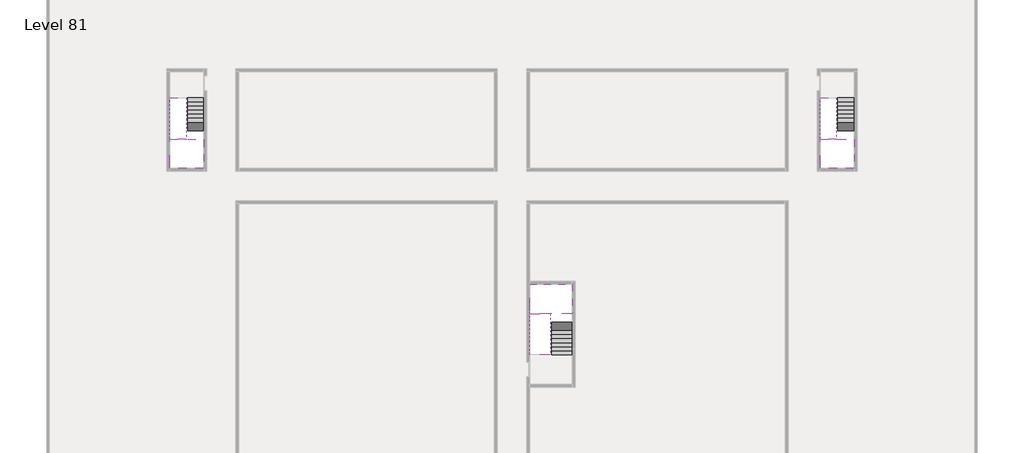
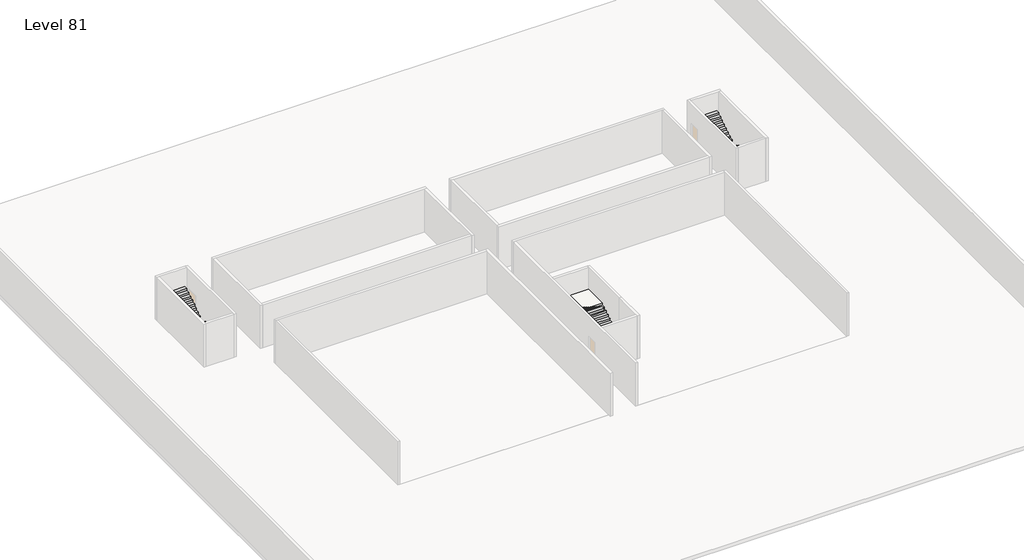
# One storey, part 2 of 2: 6 stair flights, 3 slabs.
"""IFC4 building model written with IfcOpenShell, lengths in millimetres."""

import ifcopenshell
import ifcopenshell.guid

model = None  # the IFC model being written
_history = None  # IfcOwnerHistory: only IFC2X3 demands one
_inside = {}  # id of a spatial element -> (the spatial element, [elements in it])
_under = {}  # id of a project, library or spatial element -> (it, [spatial elements below it])
_declared = {}  # id of a project -> (the project, [libraries it declares])
_typed = {}  # id of a type object -> (the type object, [elements of that type])
_made_of = {}  # id of a material, layer set ... -> (it, [elements and type objects made of it])


def new_model(schema):
    """Start an empty IFC model of exactly this schema.

    Asked for "IFC4X3", IfcOpenShell would pick the latest addendum, in which some entities
    have other attributes; the version numbers below select the first issue.
    IFC2X3 requires an IfcOwnerHistory on every rooted entity: one is made here for all.
    """
    global model, _history
    if schema == "IFC4X3":
        model = ifcopenshell.file(schema_version=(4, 3, 0, 0))
    else:
        model = ifcopenshell.file(schema=schema)
    _inside.clear()
    _under.clear()
    _declared.clear()
    _typed.clear()
    _made_of.clear()
    _history = None
    if model.schema == "IFC2X3":
        org = make("IfcOrganization", Name="unknown")
        user = make(
            "IfcPersonAndOrganization",
            ThePerson=make("IfcPerson", FamilyName="unknown"),
            TheOrganization=org,
        )
        app = make(
            "IfcApplication",
            ApplicationDeveloper=org,
            Version="unknown",
            ApplicationFullName="unknown",
            ApplicationIdentifier="unknown",
        )
        _history = make(
            "IfcOwnerHistory",
            OwningUser=user,
            OwningApplication=app,
            ChangeAction="ADDED",
            CreationDate=0,
        )
    return model


def make(cls, **values):
    """One entity of the class cls with the attributes given. An attribute that is None is left unset."""
    return model.create_entity(
        cls, **{name: value for name, value in values.items() if value is not None}
    )


def rooted(cls, **values):
    """An entity with a GlobalId (a new one), such as an element, a storey or a relation."""
    return make(cls, GlobalId=ifcopenshell.guid.new(), OwnerHistory=_history, **values)


def si_unit(unit_type, name, prefix=None):
    """IfcSIUnit, for example si_unit("LENGTHUNIT", "METRE", prefix="MILLI")."""
    return make("IfcSIUnit", UnitType=unit_type, Prefix=prefix, Name=name)


def assignment(units):
    """IfcUnitAssignment: the units of a project."""
    return None if units is None else make("IfcUnitAssignment", Units=units)


def point(xyz):
    """IfcCartesianPoint."""
    return None if xyz is None else make("IfcCartesianPoint", Coordinates=xyz)


def direction(xyz):
    """IfcDirection."""
    return None if xyz is None else make("IfcDirection", DirectionRatios=xyz)


def frame(location, z_axis=None, x_axis=None):
    """IfcAxis2Placement3D, a coordinate frame: its origin and axes. An axis left out is left unset."""
    return make(
        "IfcAxis2Placement3D",
        Location=point(location),
        Axis=direction(z_axis),
        RefDirection=direction(x_axis),
    )


def origin():
    """The frame at (0, 0, 0) with its axes left unset."""
    return frame((0.0, 0.0, 0.0))


def place(relative_to, where):
    """IfcLocalPlacement: puts the frame where relative to a parent placement (None: the world)."""
    return make(
        "IfcLocalPlacement", PlacementRelTo=relative_to, RelativePlacement=where
    )


def context(
    kind, dimensions, precision=None, world=None, true_north=None, identifier=None
):
    """IfcGeometricRepresentationContext, for example the 3D "Model" context."""
    return make(
        "IfcGeometricRepresentationContext",
        ContextIdentifier=identifier,
        ContextType=kind,
        CoordinateSpaceDimension=dimensions,
        Precision=precision,
        WorldCoordinateSystem=world,
        TrueNorth=true_north,
    )


def project(units=None, contexts=None):
    """IfcProject with its units and contexts."""
    return rooted(
        "IfcProject",
        Name="project",
        RepresentationContexts=contexts,
        UnitsInContext=assignment(units),
    )


def spatial(cls, under=None, at=None, **own):
    """A site, building, storey or space (cls), placed at a placement, below another one or the project."""
    s = rooted(cls, ObjectPlacement=at, **own)
    if under is not None:
        _under.setdefault(under.id(), (under, []))[1].append(s)
    return s


def faces_of(points, faces, orient=None, outer=None):
    """IfcFace entities. A face is a list of loops; a loop is a list of indices into points, from 0.

    orient and outer hold one flag for each loop. By default every Orientation is true, the
    first loop of a face is its IfcFaceOuterBound and the others are IfcFaceBound.
    """
    made = []
    for i, loops in enumerate(faces):
        bounds = []
        for j, loop in enumerate(loops):
            is_outer = j == 0 if outer is None else outer[i][j]
            bounds.append(
                make(
                    "IfcFaceOuterBound" if is_outer else "IfcFaceBound",
                    Bound=make("IfcPolyLoop", Polygon=[points[k] for k in loop]),
                    Orientation=True if orient is None else orient[i][j],
                )
            )
        made.append(make("IfcFace", Bounds=bounds))
    return made


def faceted_brep(points, faces, orient=None, outer=None, voids=None):
    """IfcFacetedBrep: a solid bounded by flat faces; with voids (closed shells), ...WithVoids."""
    shared = [point(p) for p in points]
    hull = make("IfcClosedShell", CfsFaces=faces_of(shared, faces, orient, outer))
    if voids is None:
        return make("IfcFacetedBrep", Outer=hull)
    return make(
        "IfcFacetedBrepWithVoids",
        Outer=hull,
        Voids=[
            make(cls, CfsFaces=faces_of(shared, fs, o, b)) for cls, fs, o, b in voids
        ],
    )


def shape(context_of_items, identifier, shape_type, items):
    """IfcShapeRepresentation: the items that make up one representation, for example the "Body"."""
    return make(
        "IfcShapeRepresentation",
        ContextOfItems=context_of_items,
        RepresentationIdentifier=identifier,
        RepresentationType=shape_type,
        Items=items,
    )


def made_of(thing, what):
    """Note that an element or type object is made of a material, layer set ...; save() writes the relation."""
    if what is not None:
        _made_of.setdefault(what.id(), (what, []))[1].append(thing)
    return thing


def element(
    cls,
    number,
    at=None,
    inside=None,
    cuts=None,
    type_object=None,
    material=None,
    context=None,
    identifier="Body",
    shape_type=None,
    held_by="IfcProductDefinitionShape",
    body=None,
    shapes=None,
    **own,
):
    """One element of the class cls, such as IfcWall. Its Tag is "e" and its number.

    at: its placement. inside: the storey or other place that contains it. cuts: it is an
    opening in that element (IfcRelVoidsElement). A single representation is given by context,
    identifier, shape_type and body (its items); several are given by shapes. held_by: the class
    of the entity that holds the representations. save() writes the other relations.
    """
    e = rooted(cls, Tag="e%d" % number, ObjectPlacement=at, **own)
    if body is not None:
        shapes = [shape(context, identifier, shape_type, body)]
    if shapes is not None:
        e.Representation = make(held_by, Representations=shapes)
    if inside is not None:
        _inside.setdefault(inside.id(), (inside, []))[1].append(e)
    if cuts is not None:
        rooted(
            "IfcRelVoidsElement", RelatingBuildingElement=cuts, RelatedOpeningElement=e
        )
    if type_object is not None:
        _typed.setdefault(type_object.id(), (type_object, []))[1].append(e)
    return made_of(e, material)


def aggregate(whole, parts):
    """IfcRelAggregates: a whole, such as a stair, and the parts it consists of."""
    return rooted("IfcRelAggregates", RelatingObject=whole, RelatedObjects=parts)


def save(model, path):
    """Write the relations noted so far, then the file.

    IfcRelAggregates (storeys below a building ...), IfcRelContainedInSpatialStructure (elements
    in a storey), IfcRelDefinesByType, IfcRelAssociatesMaterial and IfcRelDeclares: one each for
    every whole, place, type object, material and project.
    """
    for whole, parts in _under.values():
        aggregate(whole, parts)
    for where, things in _inside.values():
        rooted(
            "IfcRelContainedInSpatialStructure",
            RelatedElements=things,
            RelatingStructure=where,
        )
    for kind, things in _typed.values():
        rooted("IfcRelDefinesByType", RelatedObjects=things, RelatingType=kind)
    for what, things in _made_of.values():
        rooted("IfcRelAssociatesMaterial", RelatedObjects=things, RelatingMaterial=what)
    for by, libraries in _declared.values():
        rooted("IfcRelDeclares", RelatingContext=by, RelatedDefinitions=libraries)
    model.write(path)


model = new_model("IFC4")

# Units and contexts
model_context = context("Model", 3, world=origin())
ifc_project = project(units=[si_unit("LENGTHUNIT", "METRE", prefix="MILLI")], contexts=[model_context])

# Site, building, storey
site = spatial("IfcSite", under=ifc_project)
building = spatial("IfcBuilding", under=site)
storey = spatial("IfcBuildingStorey", under=building, Name="Level 81", Elevation=304000.0)

# Slabs
placement = place(None, origin())
element("IfcSlab", 1, at=placement, inside=storey, context=model_context, shape_type="Brep", body=[
    faceted_brep([(3190.1058784, -28518.09644, 305900.0), (2090.1058784, -28518.09644, 305900.0), (1990.1058784, -28518.09644, 305900.0), (890.1058784, -28518.09644, 305900.0), (890.1058784, -28718.7100038, 305900.0), (890.1058784, -30518.09644, 305900.0), (3190.1058784, -30518.09644, 305900.0), (3190.1058784, -28597.4828763, 305900.0), (3190.1058784, -28518.09644, 305727.2727273), (3190.1058784, -28518.09644, 305551.0278478), (2090.1058784, -28518.09644, 305551.0278478), (2090.1058784, -28518.09644, 305600.0), (1990.1058784, -28518.09644, 305600.0), (1990.1058784, -28518.09644, 305723.7551205), (890.1058784, -28518.09644, 305723.7551205), (890.1058784, -28718.7100038, 305600.0), (890.1058784, -30518.09644, 305600.0), (3190.1058784, -30518.09644, 305600.0), (3190.1058784, -28597.4828763, 305600.0), (1990.1058784, -28718.7100038, 305600.0), (2090.1058784, -28597.4828763, 305600.0)], [[[0, 1, 2, 3, 4, 5, 6, 7]], [[1, 0, 8, 9, 10, 11]], [[2, 1, 11, 12, 13]], [[3, 2, 13, 14]], [[3, 14, 15, 16, 5, 4]], [[6, 5, 16, 17]], [[9, 8, 0, 7, 6, 17, 18]], [[19, 12, 11, 20, 18, 17, 16, 15]], [[12, 19, 13]], [[18, 20, 10, 9]], [[20, 11, 10]], [[19, 15, 14, 13]]]),
])
element("IfcSlab", 2, at=placement, inside=storey, context=model_context, shape_type="Brep", body=[
    faceted_brep([(47490.1058784, -28518.09644, 305900.0), (46390.1058784, -28518.09644, 305900.0), (46290.1058784, -28518.09644, 305900.0), (45190.1058784, -28518.09644, 305900.0), (45190.1058784, -28718.7100038, 305900.0), (45190.1058784, -30518.09644, 305900.0), (47490.1058784, -30518.09644, 305900.0), (47490.1058784, -28597.4828763, 305900.0), (47490.1058784, -28518.09644, 305727.2727273), (47490.1058784, -28518.09644, 305551.0278478), (46390.1058784, -28518.09644, 305551.0278478), (46390.1058784, -28518.09644, 305600.0), (46290.1058784, -28518.09644, 305600.0), (46290.1058784, -28518.09644, 305723.7551205), (45190.1058784, -28518.09644, 305723.7551205), (45190.1058784, -28718.7100038, 305600.0), (45190.1058784, -30518.09644, 305600.0), (47490.1058784, -30518.09644, 305600.0), (47490.1058784, -28597.4828763, 305600.0), (46290.1058784, -28718.7100038, 305600.0), (46390.1058784, -28597.4828763, 305600.0)], [[[0, 1, 2, 3, 4, 5, 6, 7]], [[1, 0, 8, 9, 10, 11]], [[2, 1, 11, 12, 13]], [[3, 2, 13, 14]], [[3, 14, 15, 16, 5, 4]], [[6, 5, 16, 17]], [[9, 8, 0, 7, 6, 17, 18]], [[19, 12, 11, 20, 18, 17, 16, 15]], [[12, 19, 13]], [[18, 20, 10, 9]], [[20, 11, 10]], [[19, 15, 14, 13]]]),
])
element("IfcSlab", 3, at=placement, inside=storey, context=model_context, shape_type="Brep", body=[
    faceted_brep([(26890.1058784, -40418.09644, 305900.0), (28290.1058784, -40418.09644, 305900.0), (28290.1058784, -40338.7100038, 305900.0), (28290.1058784, -38418.09644, 305900.0), (25390.1058784, -38418.09644, 305900.0), (25390.1058784, -40217.4828763, 305900.0), (25390.1058784, -40418.09644, 305900.0), (26790.1058784, -40418.09644, 305900.0), (26890.1058784, -40418.09644, 305600.0), (26890.1058784, -40418.09644, 305551.0278478), (28290.1058784, -40418.09644, 305551.0278478), (28290.1058784, -40418.09644, 305727.2727273), (28290.1058784, -40338.7100038, 305600.0), (28290.1058784, -38418.09644, 305600.0), (25390.1058784, -38418.09644, 305600.0), (25390.1058784, -40217.4828763, 305600.0), (25390.1058784, -40418.09644, 305723.7551205), (26790.1058784, -40418.09644, 305723.7551205), (26790.1058784, -40418.09644, 305600.0), (26790.1058784, -40217.4828763, 305600.0), (26890.1058784, -40338.7100038, 305600.0)], [[[0, 1, 2, 3, 4, 5, 6, 7]], [[1, 0, 8, 9, 10, 11]], [[1, 11, 10, 12, 13, 3, 2]], [[4, 3, 13, 14]], [[4, 14, 15, 16, 6, 5]], [[7, 6, 16, 17]], [[0, 7, 17, 18, 8]], [[18, 19, 15, 14, 13, 12, 20, 8]], [[19, 18, 17]], [[20, 12, 10, 9]], [[8, 20, 9]], [[15, 19, 17, 16]]]),
])

# Stair flights
element("IfcStairFlight", 4, at=placement, inside=storey, context=model_context, shape_type="Brep", body=[
    faceted_brep([(3190.1058784, -25998.09644, 304172.7272727), (3190.1058784, -25718.09644, 304172.7272727), (2090.1058784, -25718.09644, 304172.7272727), (2090.1058784, -25998.09644, 304172.7272727), (3190.1058784, -25998.09644, 304000.0), (3190.1058784, -25718.09644, 304000.0), (2090.1058784, -25718.09644, 304000.0), (2090.1058784, -25998.09644, 304000.0), (3190.1058784, -26278.09644, 304345.4545455), (3190.1058784, -25998.09644, 304345.4545455), (2090.1058784, -25998.09644, 304345.4545455), (2090.1058784, -26278.09644, 304345.4545455), (3190.1058784, -26278.09644, 304169.209666), (3190.1058784, -26003.7986657, 304000.0), (2090.1058784, -26003.7986657, 304000.0), (2090.1058784, -26278.09644, 304169.209666), (3190.1058784, -26558.09644, 304518.1818182), (3190.1058784, -26278.09644, 304518.1818182), (2090.1058784, -26278.09644, 304518.1818182), (2090.1058784, -26558.09644, 304518.1818182), (3190.1058784, -26558.09644, 304341.9369387), (2090.1058784, -26558.09644, 304341.9369387), (3190.1058784, -26838.09644, 304690.9090909), (3190.1058784, -26558.09644, 304690.9090909), (2090.1058784, -26558.09644, 304690.9090909), (2090.1058784, -26838.09644, 304690.9090909), (3190.1058784, -26838.09644, 304514.6642114), (2090.1058784, -26838.09644, 304514.6642114), (3190.1058784, -27118.09644, 304863.6363636), (3190.1058784, -26838.09644, 304863.6363636), (2090.1058784, -26838.09644, 304863.6363636), (2090.1058784, -27118.09644, 304863.6363636), (3190.1058784, -27118.09644, 304687.3914841), (2090.1058784, -27118.09644, 304687.3914841), (3190.1058784, -27398.09644, 305036.3636364), (3190.1058784, -27118.09644, 305036.3636364), (2090.1058784, -27118.09644, 305036.3636364), (2090.1058784, -27398.09644, 305036.3636364), (3190.1058784, -27398.09644, 304860.1187569), (2090.1058784, -27398.09644, 304860.1187569), (3190.1058784, -27678.09644, 305209.0909091), (3190.1058784, -27398.09644, 305209.0909091), (2090.1058784, -27398.09644, 305209.0909091), (2090.1058784, -27678.09644, 305209.0909091), (3190.1058784, -27678.09644, 305032.8460296), (2090.1058784, -27678.09644, 305032.8460296), (3190.1058784, -27958.09644, 305381.8181818), (3190.1058784, -27678.09644, 305381.8181818), (2090.1058784, -27678.09644, 305381.8181818), (2090.1058784, -27958.09644, 305381.8181818), (3190.1058784, -27958.09644, 305205.5733023), (2090.1058784, -27958.09644, 305205.5733023), (3190.1058784, -28238.09644, 305554.5454545), (3190.1058784, -27958.09644, 305554.5454545), (2090.1058784, -27958.09644, 305554.5454545), (2090.1058784, -28238.09644, 305554.5454545), (3190.1058784, -28238.09644, 305378.3005751), (2090.1058784, -28238.09644, 305378.3005751), (3190.1058784, -28518.09644, 305727.2727273), (3190.1058784, -28238.09644, 305727.2727273), (2090.1058784, -28238.09644, 305727.2727273), (2090.1058784, -28518.09644, 305727.2727273), (3190.1058784, -28518.09644, 305551.0278478), (2090.1058784, -28518.09644, 305551.0278478), (2090.1058784, -28518.09644, 305600.0)], [[[0, 1, 2, 3]], [[1, 0, 4, 5]], [[2, 1, 5, 6]], [[3, 2, 6, 7]], [[8, 9, 10, 11]], [[4, 0, 9, 8, 12, 13]], [[0, 3, 10, 9]], [[3, 7, 14, 15, 11, 10]], [[16, 17, 18, 19]], [[17, 16, 20, 12, 8]], [[8, 11, 18, 17]], [[19, 18, 11, 15, 21]], [[22, 23, 24, 25]], [[23, 22, 26, 20, 16]], [[16, 19, 24, 23]], [[25, 24, 19, 21, 27]], [[28, 29, 30, 31]], [[29, 28, 32, 26, 22]], [[22, 25, 30, 29]], [[31, 30, 25, 27, 33]], [[34, 35, 36, 37]], [[35, 34, 38, 32, 28]], [[28, 31, 36, 35]], [[37, 36, 31, 33, 39]], [[40, 41, 42, 43]], [[41, 40, 44, 38, 34]], [[34, 37, 42, 41]], [[43, 42, 37, 39, 45]], [[46, 47, 48, 49]], [[47, 46, 50, 44, 40]], [[40, 43, 48, 47]], [[49, 48, 43, 45, 51]], [[52, 53, 54, 55]], [[53, 52, 56, 50, 46]], [[46, 49, 54, 53]], [[55, 54, 49, 51, 57]], [[58, 59, 60, 61]], [[59, 58, 62, 56, 52]], [[52, 55, 60, 59]], [[61, 60, 55, 57, 63, 64]], [[58, 61, 64, 63, 62]], [[5, 4, 13, 14, 7, 6]], [[14, 13, 12, 20, 26, 32, 38, 44, 50, 56, 62, 63, 57, 51, 45, 39, 33, 27, 21, 15]]]),
])
element("IfcStairFlight", 5, at=placement, inside=storey, context=model_context, shape_type="Brep", body=[
    faceted_brep([(890.1058784, -28238.09644, 306072.7272727), (890.1058784, -28518.09644, 306072.7272727), (1990.1058784, -28518.09644, 306072.7272727), (1990.1058784, -28238.09644, 306072.7272727), (890.1058784, -28238.09644, 305896.4823932), (890.1058784, -28518.09644, 305723.7551205), (890.1058784, -28518.09644, 305900.0), (1990.1058784, -28518.09644, 305723.7551205), (1990.1058784, -28238.09644, 305896.4823932), (890.1058784, -27958.09644, 306245.4545455), (890.1058784, -28238.09644, 306245.4545455), (1990.1058784, -28238.09644, 306245.4545455), (1990.1058784, -27958.09644, 306245.4545455), (890.1058784, -27958.09644, 306069.209666), (1990.1058784, -27958.09644, 306069.209666), (890.1058784, -27678.09644, 306418.1818182), (890.1058784, -27958.09644, 306418.1818182), (1990.1058784, -27958.09644, 306418.1818182), (1990.1058784, -27678.09644, 306418.1818182), (890.1058784, -27678.09644, 306241.9369387), (1990.1058784, -27678.09644, 306241.9369387), (890.1058784, -27398.09644, 306590.9090909), (890.1058784, -27678.09644, 306590.9090909), (1990.1058784, -27678.09644, 306590.9090909), (1990.1058784, -27398.09644, 306590.9090909), (890.1058784, -27398.09644, 306414.6642114), (1990.1058784, -27398.09644, 306414.6642114), (890.1058784, -27118.09644, 306763.6363636), (890.1058784, -27398.09644, 306763.6363636), (1990.1058784, -27398.09644, 306763.6363636), (1990.1058784, -27118.09644, 306763.6363636), (890.1058784, -27118.09644, 306587.3914841), (1990.1058784, -27118.09644, 306587.3914841), (890.1058784, -26838.09644, 306936.3636364), (890.1058784, -27118.09644, 306936.3636364), (1990.1058784, -27118.09644, 306936.3636364), (1990.1058784, -26838.09644, 306936.3636364), (890.1058784, -26838.09644, 306760.1187569), (1990.1058784, -26838.09644, 306760.1187569), (890.1058784, -26558.09644, 307109.0909091), (890.1058784, -26838.09644, 307109.0909091), (1990.1058784, -26838.09644, 307109.0909091), (1990.1058784, -26558.09644, 307109.0909091), (890.1058784, -26558.09644, 306932.8460296), (1990.1058784, -26558.09644, 306932.8460296), (890.1058784, -26278.09644, 307281.8181818), (890.1058784, -26558.09644, 307281.8181818), (1990.1058784, -26558.09644, 307281.8181818), (1990.1058784, -26278.09644, 307281.8181818), (890.1058784, -26278.09644, 307105.5733023), (1990.1058784, -26278.09644, 307105.5733023), (890.1058784, -25998.09644, 307454.5454545), (890.1058784, -26278.09644, 307454.5454545), (1990.1058784, -26278.09644, 307454.5454545), (1990.1058784, -25998.09644, 307454.5454545), (890.1058784, -25998.09644, 307278.3005751), (1990.1058784, -25998.09644, 307278.3005751), (890.1058784, -25718.09644, 307627.2727273), (890.1058784, -25998.09644, 307627.2727273), (1990.1058784, -25998.09644, 307627.2727273), (1990.1058784, -25718.09644, 307627.2727273), (890.1058784, -25718.09644, 307451.0278478), (1990.1058784, -25718.09644, 307451.0278478)], [[[0, 1, 2, 3]], [[1, 0, 4, 5, 6]], [[2, 1, 6, 5, 7]], [[3, 2, 7, 8]], [[9, 10, 11, 12]], [[10, 9, 13, 4, 0]], [[11, 10, 0, 3]], [[12, 11, 3, 8, 14]], [[15, 16, 17, 18]], [[16, 15, 19, 13, 9]], [[17, 16, 9, 12]], [[18, 17, 12, 14, 20]], [[21, 22, 23, 24]], [[22, 21, 25, 19, 15]], [[23, 22, 15, 18]], [[24, 23, 18, 20, 26]], [[27, 28, 29, 30]], [[28, 27, 31, 25, 21]], [[29, 28, 21, 24]], [[30, 29, 24, 26, 32]], [[33, 34, 35, 36]], [[34, 33, 37, 31, 27]], [[35, 34, 27, 30]], [[36, 35, 30, 32, 38]], [[39, 40, 41, 42]], [[40, 39, 43, 37, 33]], [[41, 40, 33, 36]], [[42, 41, 36, 38, 44]], [[45, 46, 47, 48]], [[46, 45, 49, 43, 39]], [[47, 46, 39, 42]], [[48, 47, 42, 44, 50]], [[51, 52, 53, 54]], [[52, 51, 55, 49, 45]], [[53, 52, 45, 48]], [[54, 53, 48, 50, 56]], [[57, 58, 59, 60]], [[58, 57, 61, 55, 51]], [[59, 58, 51, 54]], [[60, 59, 54, 56, 62]], [[57, 60, 62, 61]], [[5, 4, 13, 19, 25, 31, 37, 43, 49, 55, 61, 62, 56, 50, 44, 38, 32, 26, 20, 14, 8, 7]]]),
])
element("IfcStairFlight", 6, at=placement, inside=storey, context=model_context, shape_type="Brep", body=[
    faceted_brep([(47490.1058784, -25998.09644, 304172.7272727), (47490.1058784, -25718.09644, 304172.7272727), (46390.1058784, -25718.09644, 304172.7272727), (46390.1058784, -25998.09644, 304172.7272727), (47490.1058784, -25998.09644, 304000.0), (47490.1058784, -25718.09644, 304000.0), (46390.1058784, -25718.09644, 304000.0), (46390.1058784, -25998.09644, 304000.0), (47490.1058784, -26278.09644, 304345.4545455), (47490.1058784, -25998.09644, 304345.4545455), (46390.1058784, -25998.09644, 304345.4545455), (46390.1058784, -26278.09644, 304345.4545455), (47490.1058784, -26278.09644, 304169.209666), (47490.1058784, -26003.7986657, 304000.0), (46390.1058784, -26003.7986657, 304000.0), (46390.1058784, -26278.09644, 304169.209666), (47490.1058784, -26558.09644, 304518.1818182), (47490.1058784, -26278.09644, 304518.1818182), (46390.1058784, -26278.09644, 304518.1818182), (46390.1058784, -26558.09644, 304518.1818182), (47490.1058784, -26558.09644, 304341.9369387), (46390.1058784, -26558.09644, 304341.9369387), (47490.1058784, -26838.09644, 304690.9090909), (47490.1058784, -26558.09644, 304690.9090909), (46390.1058784, -26558.09644, 304690.9090909), (46390.1058784, -26838.09644, 304690.9090909), (47490.1058784, -26838.09644, 304514.6642114), (46390.1058784, -26838.09644, 304514.6642114), (47490.1058784, -27118.09644, 304863.6363636), (47490.1058784, -26838.09644, 304863.6363636), (46390.1058784, -26838.09644, 304863.6363636), (46390.1058784, -27118.09644, 304863.6363636), (47490.1058784, -27118.09644, 304687.3914841), (46390.1058784, -27118.09644, 304687.3914841), (47490.1058784, -27398.09644, 305036.3636364), (47490.1058784, -27118.09644, 305036.3636364), (46390.1058784, -27118.09644, 305036.3636364), (46390.1058784, -27398.09644, 305036.3636364), (47490.1058784, -27398.09644, 304860.1187569), (46390.1058784, -27398.09644, 304860.1187569), (47490.1058784, -27678.09644, 305209.0909091), (47490.1058784, -27398.09644, 305209.0909091), (46390.1058784, -27398.09644, 305209.0909091), (46390.1058784, -27678.09644, 305209.0909091), (47490.1058784, -27678.09644, 305032.8460296), (46390.1058784, -27678.09644, 305032.8460296), (47490.1058784, -27958.09644, 305381.8181818), (47490.1058784, -27678.09644, 305381.8181818), (46390.1058784, -27678.09644, 305381.8181818), (46390.1058784, -27958.09644, 305381.8181818), (47490.1058784, -27958.09644, 305205.5733023), (46390.1058784, -27958.09644, 305205.5733023), (47490.1058784, -28238.09644, 305554.5454545), (47490.1058784, -27958.09644, 305554.5454545), (46390.1058784, -27958.09644, 305554.5454545), (46390.1058784, -28238.09644, 305554.5454545), (47490.1058784, -28238.09644, 305378.3005751), (46390.1058784, -28238.09644, 305378.3005751), (47490.1058784, -28518.09644, 305727.2727273), (47490.1058784, -28238.09644, 305727.2727273), (46390.1058784, -28238.09644, 305727.2727273), (46390.1058784, -28518.09644, 305727.2727273), (47490.1058784, -28518.09644, 305551.0278478), (46390.1058784, -28518.09644, 305551.0278478), (46390.1058784, -28518.09644, 305600.0)], [[[0, 1, 2, 3]], [[1, 0, 4, 5]], [[2, 1, 5, 6]], [[3, 2, 6, 7]], [[8, 9, 10, 11]], [[4, 0, 9, 8, 12, 13]], [[0, 3, 10, 9]], [[3, 7, 14, 15, 11, 10]], [[16, 17, 18, 19]], [[17, 16, 20, 12, 8]], [[8, 11, 18, 17]], [[19, 18, 11, 15, 21]], [[22, 23, 24, 25]], [[23, 22, 26, 20, 16]], [[16, 19, 24, 23]], [[25, 24, 19, 21, 27]], [[28, 29, 30, 31]], [[29, 28, 32, 26, 22]], [[22, 25, 30, 29]], [[31, 30, 25, 27, 33]], [[34, 35, 36, 37]], [[35, 34, 38, 32, 28]], [[28, 31, 36, 35]], [[37, 36, 31, 33, 39]], [[40, 41, 42, 43]], [[41, 40, 44, 38, 34]], [[34, 37, 42, 41]], [[43, 42, 37, 39, 45]], [[46, 47, 48, 49]], [[47, 46, 50, 44, 40]], [[40, 43, 48, 47]], [[49, 48, 43, 45, 51]], [[52, 53, 54, 55]], [[53, 52, 56, 50, 46]], [[46, 49, 54, 53]], [[55, 54, 49, 51, 57]], [[58, 59, 60, 61]], [[59, 58, 62, 56, 52]], [[52, 55, 60, 59]], [[61, 60, 55, 57, 63, 64]], [[58, 61, 64, 63, 62]], [[5, 4, 13, 14, 7, 6]], [[14, 13, 12, 20, 26, 32, 38, 44, 50, 56, 62, 63, 57, 51, 45, 39, 33, 27, 21, 15]]]),
])
element("IfcStairFlight", 7, at=placement, inside=storey, context=model_context, shape_type="Brep", body=[
    faceted_brep([(45190.1058784, -28238.09644, 306072.7272727), (45190.1058784, -28518.09644, 306072.7272727), (46290.1058784, -28518.09644, 306072.7272727), (46290.1058784, -28238.09644, 306072.7272727), (45190.1058784, -28238.09644, 305896.4823932), (45190.1058784, -28518.09644, 305723.7551205), (45190.1058784, -28518.09644, 305900.0), (46290.1058784, -28518.09644, 305723.7551205), (46290.1058784, -28238.09644, 305896.4823932), (45190.1058784, -27958.09644, 306245.4545455), (45190.1058784, -28238.09644, 306245.4545455), (46290.1058784, -28238.09644, 306245.4545455), (46290.1058784, -27958.09644, 306245.4545455), (45190.1058784, -27958.09644, 306069.209666), (46290.1058784, -27958.09644, 306069.209666), (45190.1058784, -27678.09644, 306418.1818182), (45190.1058784, -27958.09644, 306418.1818182), (46290.1058784, -27958.09644, 306418.1818182), (46290.1058784, -27678.09644, 306418.1818182), (45190.1058784, -27678.09644, 306241.9369387), (46290.1058784, -27678.09644, 306241.9369387), (45190.1058784, -27398.09644, 306590.9090909), (45190.1058784, -27678.09644, 306590.9090909), (46290.1058784, -27678.09644, 306590.9090909), (46290.1058784, -27398.09644, 306590.9090909), (45190.1058784, -27398.09644, 306414.6642114), (46290.1058784, -27398.09644, 306414.6642114), (45190.1058784, -27118.09644, 306763.6363636), (45190.1058784, -27398.09644, 306763.6363636), (46290.1058784, -27398.09644, 306763.6363636), (46290.1058784, -27118.09644, 306763.6363636), (45190.1058784, -27118.09644, 306587.3914841), (46290.1058784, -27118.09644, 306587.3914841), (45190.1058784, -26838.09644, 306936.3636364), (45190.1058784, -27118.09644, 306936.3636364), (46290.1058784, -27118.09644, 306936.3636364), (46290.1058784, -26838.09644, 306936.3636364), (45190.1058784, -26838.09644, 306760.1187569), (46290.1058784, -26838.09644, 306760.1187569), (45190.1058784, -26558.09644, 307109.0909091), (45190.1058784, -26838.09644, 307109.0909091), (46290.1058784, -26838.09644, 307109.0909091), (46290.1058784, -26558.09644, 307109.0909091), (45190.1058784, -26558.09644, 306932.8460296), (46290.1058784, -26558.09644, 306932.8460296), (45190.1058784, -26278.09644, 307281.8181818), (45190.1058784, -26558.09644, 307281.8181818), (46290.1058784, -26558.09644, 307281.8181818), (46290.1058784, -26278.09644, 307281.8181818), (45190.1058784, -26278.09644, 307105.5733023), (46290.1058784, -26278.09644, 307105.5733023), (45190.1058784, -25998.09644, 307454.5454545), (45190.1058784, -26278.09644, 307454.5454545), (46290.1058784, -26278.09644, 307454.5454545), (46290.1058784, -25998.09644, 307454.5454545), (45190.1058784, -25998.09644, 307278.3005751), (46290.1058784, -25998.09644, 307278.3005751), (45190.1058784, -25718.09644, 307627.2727273), (45190.1058784, -25998.09644, 307627.2727273), (46290.1058784, -25998.09644, 307627.2727273), (46290.1058784, -25718.09644, 307627.2727273), (45190.1058784, -25718.09644, 307451.0278478), (46290.1058784, -25718.09644, 307451.0278478)], [[[0, 1, 2, 3]], [[1, 0, 4, 5, 6]], [[2, 1, 6, 5, 7]], [[3, 2, 7, 8]], [[9, 10, 11, 12]], [[10, 9, 13, 4, 0]], [[11, 10, 0, 3]], [[12, 11, 3, 8, 14]], [[15, 16, 17, 18]], [[16, 15, 19, 13, 9]], [[17, 16, 9, 12]], [[18, 17, 12, 14, 20]], [[21, 22, 23, 24]], [[22, 21, 25, 19, 15]], [[23, 22, 15, 18]], [[24, 23, 18, 20, 26]], [[27, 28, 29, 30]], [[28, 27, 31, 25, 21]], [[29, 28, 21, 24]], [[30, 29, 24, 26, 32]], [[33, 34, 35, 36]], [[34, 33, 37, 31, 27]], [[35, 34, 27, 30]], [[36, 35, 30, 32, 38]], [[39, 40, 41, 42]], [[40, 39, 43, 37, 33]], [[41, 40, 33, 36]], [[42, 41, 36, 38, 44]], [[45, 46, 47, 48]], [[46, 45, 49, 43, 39]], [[47, 46, 39, 42]], [[48, 47, 42, 44, 50]], [[51, 52, 53, 54]], [[52, 51, 55, 49, 45]], [[53, 52, 45, 48]], [[54, 53, 48, 50, 56]], [[57, 58, 59, 60]], [[58, 57, 61, 55, 51]], [[59, 58, 51, 54]], [[60, 59, 54, 56, 62]], [[57, 60, 62, 61]], [[5, 4, 13, 19, 25, 31, 37, 43, 49, 55, 61, 62, 56, 50, 44, 38, 32, 26, 20, 14, 8, 7]]]),
])
element("IfcStairFlight", 8, at=placement, inside=storey, context=model_context, shape_type="Brep", body=[
    faceted_brep([(26890.1058784, -42938.09644, 304172.7272727), (26890.1058784, -43218.09644, 304172.7272727), (28290.1058784, -43218.09644, 304172.7272727), (28290.1058784, -42938.09644, 304172.7272727), (26890.1058784, -42938.09644, 304000.0), (26890.1058784, -43218.09644, 304000.0), (28290.1058784, -43218.09644, 304000.0), (28290.1058784, -42938.09644, 304000.0), (26890.1058784, -42658.09644, 304345.4545455), (26890.1058784, -42938.09644, 304345.4545455), (28290.1058784, -42938.09644, 304345.4545455), (28290.1058784, -42658.09644, 304345.4545455), (26890.1058784, -42658.09644, 304169.209666), (26890.1058784, -42932.3942143, 304000.0), (28290.1058784, -42932.3942143, 304000.0), (28290.1058784, -42658.09644, 304169.209666), (26890.1058784, -42378.09644, 304518.1818182), (26890.1058784, -42658.09644, 304518.1818182), (28290.1058784, -42658.09644, 304518.1818182), (28290.1058784, -42378.09644, 304518.1818182), (26890.1058784, -42378.09644, 304341.9369387), (28290.1058784, -42378.09644, 304341.9369387), (26890.1058784, -42098.09644, 304690.9090909), (26890.1058784, -42378.09644, 304690.9090909), (28290.1058784, -42378.09644, 304690.9090909), (28290.1058784, -42098.09644, 304690.9090909), (26890.1058784, -42098.09644, 304514.6642114), (28290.1058784, -42098.09644, 304514.6642114), (26890.1058784, -41818.09644, 304863.6363636), (26890.1058784, -42098.09644, 304863.6363636), (28290.1058784, -42098.09644, 304863.6363636), (28290.1058784, -41818.09644, 304863.6363636), (26890.1058784, -41818.09644, 304687.3914841), (28290.1058784, -41818.09644, 304687.3914841), (26890.1058784, -41538.09644, 305036.3636364), (26890.1058784, -41818.09644, 305036.3636364), (28290.1058784, -41818.09644, 305036.3636364), (28290.1058784, -41538.09644, 305036.3636364), (26890.1058784, -41538.09644, 304860.1187569), (28290.1058784, -41538.09644, 304860.1187569), (26890.1058784, -41258.09644, 305209.0909091), (26890.1058784, -41538.09644, 305209.0909091), (28290.1058784, -41538.09644, 305209.0909091), (28290.1058784, -41258.09644, 305209.0909091), (26890.1058784, -41258.09644, 305032.8460296), (28290.1058784, -41258.09644, 305032.8460296), (26890.1058784, -40978.09644, 305381.8181818), (26890.1058784, -41258.09644, 305381.8181818), (28290.1058784, -41258.09644, 305381.8181818), (28290.1058784, -40978.09644, 305381.8181818), (26890.1058784, -40978.09644, 305205.5733023), (28290.1058784, -40978.09644, 305205.5733023), (26890.1058784, -40698.09644, 305554.5454545), (26890.1058784, -40978.09644, 305554.5454545), (28290.1058784, -40978.09644, 305554.5454545), (28290.1058784, -40698.09644, 305554.5454545), (26890.1058784, -40698.09644, 305378.3005751), (28290.1058784, -40698.09644, 305378.3005751), (26890.1058784, -40418.09644, 305727.2727273), (26890.1058784, -40698.09644, 305727.2727273), (28290.1058784, -40698.09644, 305727.2727273), (28290.1058784, -40418.09644, 305727.2727273), (26890.1058784, -40418.09644, 305600.0), (26890.1058784, -40418.09644, 305551.0278478), (28290.1058784, -40418.09644, 305551.0278478)], [[[0, 1, 2, 3]], [[1, 0, 4, 5]], [[2, 1, 5, 6]], [[3, 2, 6, 7]], [[8, 9, 10, 11]], [[4, 0, 9, 8, 12, 13]], [[0, 3, 10, 9]], [[3, 7, 14, 15, 11, 10]], [[16, 17, 18, 19]], [[17, 16, 20, 12, 8]], [[8, 11, 18, 17]], [[19, 18, 11, 15, 21]], [[22, 23, 24, 25]], [[23, 22, 26, 20, 16]], [[16, 19, 24, 23]], [[25, 24, 19, 21, 27]], [[28, 29, 30, 31]], [[29, 28, 32, 26, 22]], [[22, 25, 30, 29]], [[31, 30, 25, 27, 33]], [[34, 35, 36, 37]], [[35, 34, 38, 32, 28]], [[28, 31, 36, 35]], [[37, 36, 31, 33, 39]], [[40, 41, 42, 43]], [[41, 40, 44, 38, 34]], [[34, 37, 42, 41]], [[43, 42, 37, 39, 45]], [[46, 47, 48, 49]], [[47, 46, 50, 44, 40]], [[40, 43, 48, 47]], [[49, 48, 43, 45, 51]], [[52, 53, 54, 55]], [[53, 52, 56, 50, 46]], [[46, 49, 54, 53]], [[55, 54, 49, 51, 57]], [[58, 59, 60, 61]], [[59, 58, 62, 63, 56, 52]], [[52, 55, 60, 59]], [[61, 60, 55, 57, 64]], [[58, 61, 64, 63, 62]], [[5, 4, 13, 14, 7, 6]], [[14, 13, 12, 20, 26, 32, 38, 44, 50, 56, 63, 64, 57, 51, 45, 39, 33, 27, 21, 15]]]),
])
element("IfcStairFlight", 9, at=placement, inside=storey, context=model_context, shape_type="Brep", body=[
    faceted_brep([(26790.1058784, -40698.09644, 306072.7272727), (26790.1058784, -40418.09644, 306072.7272727), (25390.1058784, -40418.09644, 306072.7272727), (25390.1058784, -40698.09644, 306072.7272727), (26790.1058784, -40698.09644, 305896.4823932), (26790.1058784, -40418.09644, 305723.7551205), (25390.1058784, -40418.09644, 305723.7551205), (25390.1058784, -40418.09644, 305900.0), (25390.1058784, -40698.09644, 305896.4823932), (26790.1058784, -40978.09644, 306245.4545455), (26790.1058784, -40698.09644, 306245.4545455), (25390.1058784, -40698.09644, 306245.4545455), (25390.1058784, -40978.09644, 306245.4545455), (26790.1058784, -40978.09644, 306069.209666), (25390.1058784, -40978.09644, 306069.209666), (26790.1058784, -41258.09644, 306418.1818182), (26790.1058784, -40978.09644, 306418.1818182), (25390.1058784, -40978.09644, 306418.1818182), (25390.1058784, -41258.09644, 306418.1818182), (26790.1058784, -41258.09644, 306241.9369387), (25390.1058784, -41258.09644, 306241.9369387), (26790.1058784, -41538.09644, 306590.9090909), (26790.1058784, -41258.09644, 306590.9090909), (25390.1058784, -41258.09644, 306590.9090909), (25390.1058784, -41538.09644, 306590.9090909), (26790.1058784, -41538.09644, 306414.6642114), (25390.1058784, -41538.09644, 306414.6642114), (26790.1058784, -41818.09644, 306763.6363636), (26790.1058784, -41538.09644, 306763.6363636), (25390.1058784, -41538.09644, 306763.6363636), (25390.1058784, -41818.09644, 306763.6363636), (26790.1058784, -41818.09644, 306587.3914841), (25390.1058784, -41818.09644, 306587.3914841), (26790.1058784, -42098.09644, 306936.3636364), (26790.1058784, -41818.09644, 306936.3636364), (25390.1058784, -41818.09644, 306936.3636364), (25390.1058784, -42098.09644, 306936.3636364), (26790.1058784, -42098.09644, 306760.1187569), (25390.1058784, -42098.09644, 306760.1187569), (26790.1058784, -42378.09644, 307109.0909091), (26790.1058784, -42098.09644, 307109.0909091), (25390.1058784, -42098.09644, 307109.0909091), (25390.1058784, -42378.09644, 307109.0909091), (26790.1058784, -42378.09644, 306932.8460296), (25390.1058784, -42378.09644, 306932.8460296), (26790.1058784, -42658.09644, 307281.8181818), (26790.1058784, -42378.09644, 307281.8181818), (25390.1058784, -42378.09644, 307281.8181818), (25390.1058784, -42658.09644, 307281.8181818), (26790.1058784, -42658.09644, 307105.5733023), (25390.1058784, -42658.09644, 307105.5733023), (26790.1058784, -42938.09644, 307454.5454545), (26790.1058784, -42658.09644, 307454.5454545), (25390.1058784, -42658.09644, 307454.5454545), (25390.1058784, -42938.09644, 307454.5454545), (26790.1058784, -42938.09644, 307278.3005751), (25390.1058784, -42938.09644, 307278.3005751), (26790.1058784, -43218.09644, 307627.2727273), (26790.1058784, -42938.09644, 307627.2727273), (25390.1058784, -42938.09644, 307627.2727273), (25390.1058784, -43218.09644, 307627.2727273), (26790.1058784, -43218.09644, 307451.0278478), (25390.1058784, -43218.09644, 307451.0278478)], [[[0, 1, 2, 3]], [[1, 0, 4, 5]], [[2, 1, 5, 6, 7]], [[3, 2, 7, 6, 8]], [[9, 10, 11, 12]], [[10, 9, 13, 4, 0]], [[11, 10, 0, 3]], [[12, 11, 3, 8, 14]], [[15, 16, 17, 18]], [[16, 15, 19, 13, 9]], [[17, 16, 9, 12]], [[18, 17, 12, 14, 20]], [[21, 22, 23, 24]], [[22, 21, 25, 19, 15]], [[23, 22, 15, 18]], [[24, 23, 18, 20, 26]], [[27, 28, 29, 30]], [[28, 27, 31, 25, 21]], [[29, 28, 21, 24]], [[30, 29, 24, 26, 32]], [[33, 34, 35, 36]], [[34, 33, 37, 31, 27]], [[35, 34, 27, 30]], [[36, 35, 30, 32, 38]], [[39, 40, 41, 42]], [[40, 39, 43, 37, 33]], [[41, 40, 33, 36]], [[42, 41, 36, 38, 44]], [[45, 46, 47, 48]], [[46, 45, 49, 43, 39]], [[47, 46, 39, 42]], [[48, 47, 42, 44, 50]], [[51, 52, 53, 54]], [[52, 51, 55, 49, 45]], [[53, 52, 45, 48]], [[54, 53, 48, 50, 56]], [[57, 58, 59, 60]], [[58, 57, 61, 55, 51]], [[59, 58, 51, 54]], [[60, 59, 54, 56, 62]], [[57, 60, 62, 61]], [[5, 4, 13, 19, 25, 31, 37, 43, 49, 55, 61, 62, 56, 50, 44, 38, 32, 26, 20, 14, 8, 6]]]),
])

save(model, "model.ifc")
